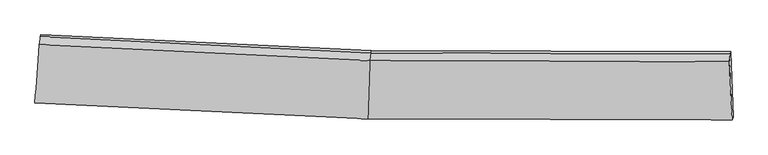
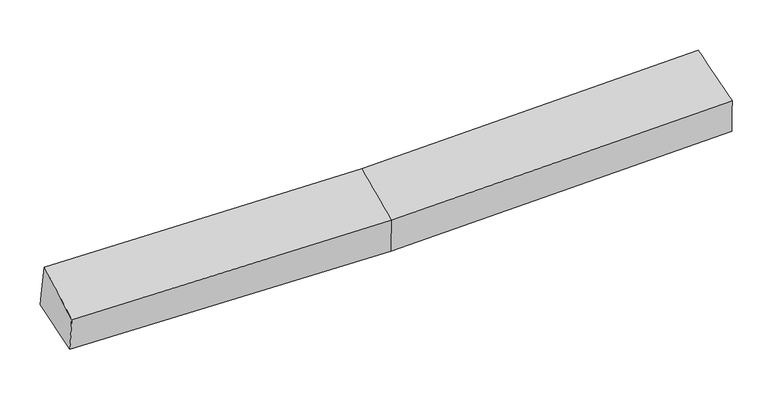
"""IFC4 building model written with IfcOpenShell, lengths in millimetres: proxy geometry."""

from ifc_helpers import new_model, si_unit, frame, origin, place, context, project, spatial, source, transform, mapped, element, save
from ifc_brep_helpers import plane_surface, spline_surface, advanced_brep


def generic_models_0219b5eb(model_context):
    return source(origin(), model_context, "Body", "AdvancedBrep", [
        advanced_brep(
        [(-3648.9228996, -1886.3855372, 2055.5090496), (-3639.8627461, -1835.9426675, 1669.1670339), (-123.0699773, -2025.1661764, 1724.0666011), (-131.7223474, -2055.8354781, 2113.4491995), (-3586.7390749, -1166.046421, 1773.1713339), (-96.5576342, -1333.8411315, 1830.6816933), (-3590.257777, -1187.364182, 1912.27726), (-100.4512675, -1357.4303821, 1984.6098919), (-3602.0642351, -1272.4487284, 2293.1765913), (-110.8168159, -1440.3087423, 2350.7039071), (3697.9374602, -1367.8373272, 2074.0358175), (3689.5480318, -1450.7242839, 2440.1785015), (3716.7546363, -2066.460315, 2204.1087223), (3727.5475572, -2035.8003251, 1814.7788424), (3701.8310936, -1344.2480766, 1920.1076189)],
        [
            (0, 1),
            (1, 2),
            (2, 3),
            (3, 0),
            (1, 4),
            (4, 5),
            (5, 1),
            (4, 6),
            (6, 7),
            (7, 5),
            (6, 8),
            (8, 9),
            (9, 7),
            (8, 0),
            (3, 9),
            (10, 11),
            (11, 12),
            (12, 13),
            (13, 14),
            (14, 10),
            (5, 2),
            (9, 11),
            (10, 7),
            (3, 12),
            (2, 13),
            (5, 14),
        ],
        [
            spline_surface(1, 1, [[(-3648.9228996, -1886.3855372, 2055.5090496), (-131.7223474, -2055.8354781, 2113.4491995)], [(-3639.8627461, -1835.9426675, 1669.1670339), (-123.0699773, -2025.1661764, 1724.0666011)]], [2, 2], [2, 2], [0.0, 1.0], [0.0, 1.0]),
            plane_surface(frame((-3613.3009105, -1500.9945442, 1721.1691839), z_axis=(0.023568681314783513, 0.1515484674673443, -0.9881688009997998), x_axis=(0.07812304582561722, 0.9851415390524632, 0.15294749996084578))),
            plane_surface(frame((-3588.498426, -1176.7053015, 1842.7242969), z_axis=(0.04495334288315785, 0.9872901956703412, 0.15243774629942886), x_axis=(-0.024995417905573927, -0.15143263912423183, 0.9881514989573188))),
            spline_surface(1, 1, [[(-3590.257777, -1187.364182, 1912.27726), (-100.4512675, -1357.4303821, 1984.6098919)], [(-3602.0642351, -1272.4487284, 2293.1765913), (-110.8168159, -1440.3087423, 2350.7039071)]], [2, 2], [2, 2], [0.0, 1.0], [0.0, 1.0]),
            spline_surface(1, 1, [[(-3602.0642351, -1272.4487284, 2293.1765913), (-110.8168159, -1440.3087423, 2350.7039071)], [(-3648.9228996, -1886.3855372, 2055.5090496), (-131.7223474, -2055.8354781, 2113.4491995)]], [2, 2], [2, 2], [0.0, 1.0], [0.0, 1.0]),
            plane_surface(frame((3706.7237558, -1653.0140656, 2090.6419005), z_axis=(0.9990122935951526, 0.032541464708085624, 0.030257070585320144), x_axis=(-0.022341952622771114, -0.22073690606223093, 0.9750774612588867))),
            plane_surface(frame((-3613.5693466, -1469.6375072, 1940.6602537), z_axis=(-0.9966303320663327, 0.08102039151485982, -0.012793645458992895), x_axis=(0.07099797650154514, 0.9302072860967785, 0.36010233576742073))),
            plane_surface(frame((-3639.8627461, -1835.9426675, 1669.1670339), z_axis=(0.023577213725208063, 0.15149102260387282, -0.9881774056632691), x_axis=(0.03787477588986722, 0.987607207078753, 0.15230727453866863))),
            spline_surface(1, 1, [[(-100.4512675, -1357.4303821, 1984.6098919), (3697.9374602, -1367.8373272, 2074.0358175)], [(-110.8168159, -1440.3087423, 2350.7039071), (3689.5480318, -1450.7242839, 2440.1785015)]], [2, 2], [2, 2], [0.0, 1.0], [0.0, 1.0]),
            spline_surface(1, 1, [[(-110.8168159, -1440.3087423, 2350.7039071), (3689.5480318, -1450.7242839, 2440.1785015)], [(-131.7223474, -2055.8354781, 2113.4491995), (3716.7546363, -2066.460315, 2204.1087223)]], [2, 2], [2, 2], [0.0, 1.0], [0.0, 1.0]),
            spline_surface(1, 1, [[(-131.7223474, -2055.8354781, 2113.4491995), (3716.7546363, -2066.460315, 2204.1087223)], [(-123.0699773, -2025.1661764, 1724.0666011), (3727.5475572, -2035.8003251, 1814.7788424)]], [2, 2], [2, 2], [0.0, 1.0], [0.0, 1.0]),
            spline_surface(1, 1, [[(-123.0699773, -2025.1661764, 1724.0666011), (3727.5475572, -2035.8003251, 1814.7788424)], [(-96.5576342, -1333.8411315, 1830.6816933), (3701.8310936, -1344.2480766, 1920.1076189)]], [2, 2], [2, 2], [0.0, 1.0], [0.0, 1.0]),
            plane_surface(frame((-98.5044509, -1345.6357568, 1907.6457926), z_axis=(-0.0008575882253162529, 0.9884632122268905, 0.15145871588169874), x_axis=(-0.02499541790557354, -0.1514326391242321, 0.9881514989573188))),
        ],
        [
            (0, [[1, 2, 3, 4]]),
            (1, [[5, 6, 7]]),
            (2, [[8, 9, 10, -6]]),
            (3, [[11, 12, 13, -9]]),
            (4, [[14, -4, 15, -12]]),
            (5, [[16, 17, 18, 19, 20]]),
            (6, [[-14, -11, -8, -5, -1]]),
            (7, [[21, -2, -7]]),
            (8, [[-13, 22, -16, 23]]),
            (9, [[-15, 24, -17, -22]]),
            (10, [[-3, 25, -18, -24]]),
            (11, [[-21, 26, -19, -25]]),
            (12, [[-10, -23, -20, -26]]),
        ],
    ),
    ])


if __name__ == "__main__":
    model = new_model("IFC4")
    model_context = context("Model", 3, world=origin())
    ifc_project = project(units=[si_unit("LENGTHUNIT", "METRE", prefix="MILLI")], contexts=[model_context])
    site = spatial("IfcSite", under=ifc_project)
    building = spatial("IfcBuilding", under=site)
    placement = place(None, origin())
    generic_models_shape = generic_models_0219b5eb(model_context)
    element("IfcBuildingElementProxy", 1, Name="Generic Models", at=placement, inside=building, context=model_context, shape_type="MappedRepresentation", body=[
        mapped(generic_models_shape, transform((0.0, 0.0, 0.0), x_axis=(1.0, 0.0, 0.0), y_axis=(0.0, 1.0, 0.0), z_axis=(0.0, 0.0, 1.0))),
    ])
    save(model, "model.ifc")
